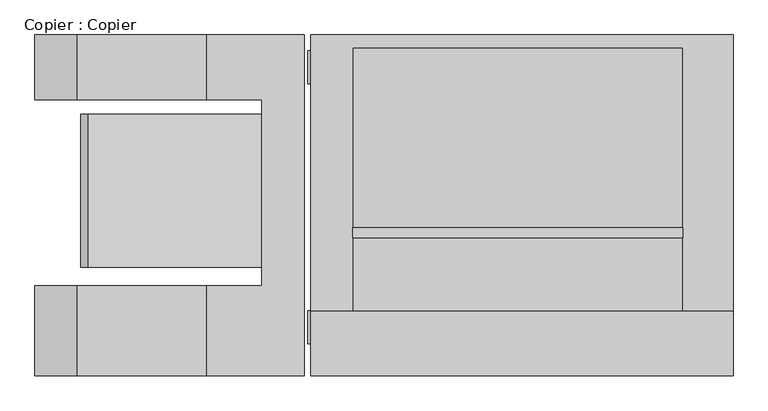
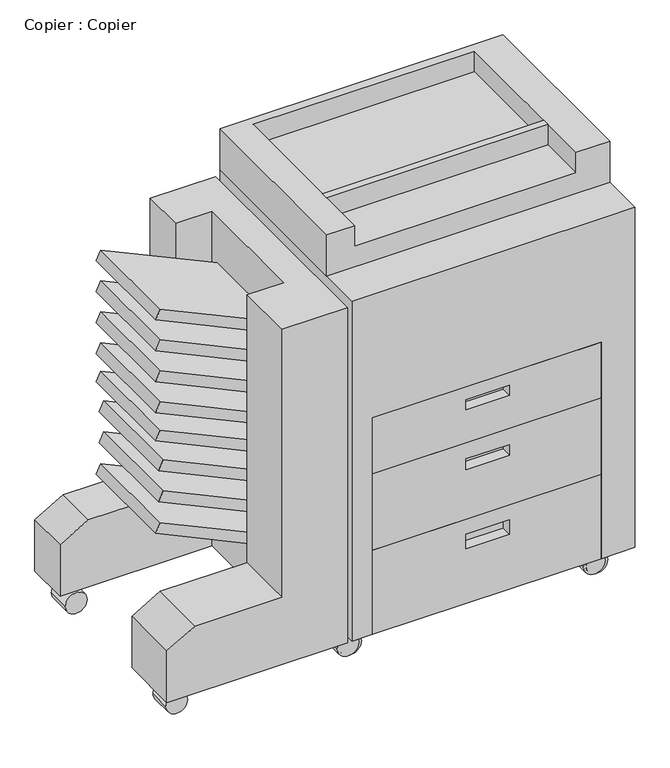
"""IFC4 building model written with IfcOpenShell, lengths in millimetres: proxy geometry, Copier : Copier."""

from ifc_helpers import new_model, si_unit, point, frame, frame_2d, origin, place, context, project, spatial, polyline, circle_curve, trimmed, segment, composite_curve, outline, extrude, faceted_brep, source, transform, mapped, element, save


def copier_copier_9248cf1c(model_context):
    return source(origin(), model_context, "Body", "SolidModel", [
        extrude(outline(polyline([(387.7567294, -681.6535349), (364.7365116, -692.3880388), (232.9041289, -409.6725817), (260.929928, -409.6725817), (387.7567294, -681.6535349)])), frame((0.0, -72.1685532, 0.0), z_axis=(0.0, 1.0, 0.0), x_axis=(0.0, 0.0, 1.0)), (0.0, 0.0, 1.0), 239.8222339),
        extrude(outline(polyline([(463.6667654, -675.0122673), (440.6465476, -685.7467712), (311.9110388, -409.6725817), (339.9368379, -409.6725817), (463.6667654, -675.0122673)])), frame((0.0, -72.1685532, 0.0), z_axis=(0.0, 1.0, 0.0), x_axis=(0.0, 0.0, 1.0)), (0.0, 0.0, 1.0), 239.8222339),
        extrude(outline(polyline([(539.8667654, -675.0122673), (516.8465476, -685.7467712), (388.1110388, -409.6725817), (416.1368379, -409.6725817), (539.8667654, -675.0122673)])), frame((0.0, -72.1685532, 0.0), z_axis=(0.0, 1.0, 0.0), x_axis=(0.0, 0.0, 1.0)), (0.0, 0.0, 1.0), 239.8222339),
        extrude(outline(polyline([(914.2268014, -681.6535349), (891.2065836, -692.3880388), (759.3742009, -409.6725817), (787.4, -409.6725817), (914.2268014, -681.6535349)])), frame((0.0, -72.1685532, 0.0), z_axis=(0.0, 1.0, 0.0), x_axis=(0.0, 0.0, 1.0)), (0.0, 0.0, 1.0), 239.8222339),
        extrude(outline(polyline([(838.0268014, -681.6535349), (815.0065836, -692.3880388), (683.1742009, -409.6725817), (711.2, -409.6725817), (838.0268014, -681.6535349)])), frame((0.0, -72.1685532, 0.0), z_axis=(0.0, 1.0, 0.0), x_axis=(0.0, 0.0, 1.0)), (0.0, 0.0, 1.0), 239.8222339),
        extrude(outline(polyline([(615.7768014, -681.6535349), (592.7565836, -692.3880388), (460.9242009, -409.6725817), (488.95, -409.6725817), (615.7768014, -681.6535349)])), frame((0.0, -72.1685532, 0.0), z_axis=(0.0, 1.0, 0.0), x_axis=(0.0, 0.0, 1.0)), (0.0, 0.0, 1.0), 239.8222339),
        extrude(outline(polyline([(685.6268014, -681.6535349), (662.6065836, -692.3880388), (530.7742009, -409.6725817), (558.8, -409.6725817), (685.6268014, -681.6535349)])), frame((0.0, -72.1685532, 0.0), z_axis=(0.0, 1.0, 0.0), x_axis=(0.0, 0.0, 1.0)), (0.0, 0.0, 1.0), 239.8222339),
        extrude(outline(polyline([(761.8268014, -681.6535349), (738.8065836, -692.3880388), (606.9742009, -409.6725817), (635.0, -409.6725817), (761.8268014, -681.6535349)])), frame((0.0, -72.1685532, 0.0), z_axis=(0.0, 1.0, 0.0), x_axis=(0.0, 0.0, 1.0)), (0.0, 0.0, 1.0), 239.8222339),
        extrude(outline(composite_curve([segment(trimmed(circle_curve(frame_2d((26.0668925, -711.8709821)), 25.4), [point((26.0668925, -737.2709821))], [point((26.0668925, -686.4709821))], False, "CARTESIAN"), True, "CONTINUOUS"), segment(trimmed(circle_curve(frame_2d((26.0668925, -711.8709821)), 25.4), [point((26.0668925, -686.4709821))], [point((26.0668925, -737.2709821))], False, "CARTESIAN"), True, "CONTINUOUS")], self_intersect=False)), frame((0.0, 215.1689468, 0.0), z_axis=(0.0, 1.0, 0.0), x_axis=(0.0, 0.0, 1.0)), (0.0, 0.0, 1.0), 55.9418879),
        extrude(outline(composite_curve([segment(trimmed(circle_curve(frame_2d((26.0668925, -711.8709821)), 25.4), [point((26.0668925, -737.2709821))], [point((26.0668925, -686.4709821))], False, "CARTESIAN"), True, "CONTINUOUS"), segment(trimmed(circle_curve(frame_2d((26.0668925, -711.8709821)), 25.4), [point((26.0668925, -686.4709821))], [point((26.0668925, -737.2709821))], False, "CARTESIAN"), True, "CONTINUOUS")], self_intersect=False)), frame((0.0, -191.2310532, 0.0), z_axis=(0.0, 1.0, 0.0), x_axis=(0.0, 0.0, 1.0)), (0.0, 0.0, 1.0), 51.3258053),
        faceted_brep([(-764.1654582, -242.0310532, 76.2), (-342.5743224, -242.0310532, 76.2), (-342.5743224, -242.0310532, 901.7), (-494.9743224, -242.0310532, 901.7), (-494.9743224, -242.0310532, 241.3), (-698.1743224, -242.0310532, 241.3), (-764.1654582, -242.0310532, 203.2), (-764.1654582, 291.3689468, 76.2), (-764.1654582, 291.3689468, 203.2), (-698.1743224, 291.3689468, 241.3), (-494.9743224, 291.3689468, 241.3), (-494.9743224, 291.3689468, 901.7), (-342.5743224, 291.3689468, 901.7), (-342.5743224, 291.3689468, 76.2), (-764.1654582, -100.8888364, 76.2), (-409.6725817, -100.8888364, 76.2), (-409.6725817, 189.7689468, 76.2), (-764.1654582, 189.7689468, 76.2), (-494.9743224, 189.7689468, 901.7), (-409.6725817, 189.7689468, 901.7), (-409.6725817, -100.8888364, 901.7), (-494.9743224, -100.8888364, 901.7), (-494.9743224, -100.8888364, 241.3), (-494.9743224, 189.7689468, 241.3), (-698.1743224, -100.8888364, 241.3), (-698.1743224, 189.7689468, 241.3), (-764.1654582, -100.8888364, 203.2), (-764.1654582, 189.7689468, 203.2)], [[[0, 1, 2, 3, 4, 5, 6]], [[7, 8, 9, 10, 11, 12, 13]], [[1, 0, 14, 15, 16, 17, 7, 13]], [[2, 1, 13, 12]], [[3, 2, 12, 11, 18, 19, 20, 21]], [[4, 3, 21, 22]], [[11, 10, 23, 18]], [[5, 4, 22, 24]], [[10, 9, 25, 23]], [[6, 5, 24, 26]], [[9, 8, 27, 25]], [[0, 6, 26, 14]], [[8, 7, 17, 27]], [[16, 19, 18, 23, 25, 27, 17]], [[20, 15, 14, 26, 24, 22, 21]], [[19, 16, 15, 20]]]),
        extrude(outline(composite_curve([segment(trimmed(circle_curve(frame_2d((27.9129458, -312.2555429)), 25.4), [point((27.9129458, -337.6555429))], [point((27.9129458, -286.8555429))], False, "CARTESIAN"), True, "CONTINUOUS"), segment(trimmed(circle_curve(frame_2d((27.9129458, -312.2555429)), 25.4), [point((27.9129458, -286.8555429))], [point((27.9129458, -337.6555429))], False, "CARTESIAN"), True, "CONTINUOUS")], self_intersect=False)), frame((0.0, 215.1689468, 0.0), z_axis=(0.0, 1.0, 0.0), x_axis=(0.0, 0.0, 1.0)), (0.0, 0.0, 1.0), 51.3258053),
        extrude(outline(composite_curve([segment(trimmed(circle_curve(frame_2d((27.9129458, 262.7398948)), 25.4), [point((27.9129458, 237.3398948))], [point((27.9129458, 288.1398948))], False, "CARTESIAN"), True, "CONTINUOUS"), segment(trimmed(circle_curve(frame_2d((27.9129458, 262.7398948)), 25.4), [point((27.9129458, 288.1398948))], [point((27.9129458, 237.3398948))], False, "CARTESIAN"), True, "CONTINUOUS")], self_intersect=False)), frame((0.0, 215.1689468, 0.0), z_axis=(0.0, 1.0, 0.0), x_axis=(0.0, 0.0, 1.0)), (0.0, 0.0, 1.0), 51.3258053),
        extrude(outline(composite_curve([segment(trimmed(circle_curve(frame_2d((27.9129458, -312.2555429)), 25.4), [point((27.9129458, -337.6555429))], [point((27.9129458, -286.8555429))], False, "CARTESIAN"), True, "CONTINUOUS"), segment(trimmed(circle_curve(frame_2d((27.9129458, -312.2555429)), 25.4), [point((27.9129458, -286.8555429))], [point((27.9129458, -337.6555429))], False, "CARTESIAN"), True, "CONTINUOUS")], self_intersect=False)), frame((0.0, -191.2310532, 0.0), z_axis=(0.0, 1.0, 0.0), x_axis=(0.0, 0.0, 1.0)), (0.0, 0.0, 1.0), 51.3258053),
        extrude(outline(composite_curve([segment(trimmed(circle_curve(frame_2d((27.9129458, 262.7398948)), 25.4), [point((27.9129458, 237.3398948))], [point((27.9129458, 288.1398948))], False, "CARTESIAN"), True, "CONTINUOUS"), segment(trimmed(circle_curve(frame_2d((27.9129458, 262.7398948)), 25.4), [point((27.9129458, 288.1398948))], [point((27.9129458, 237.3398948))], False, "CARTESIAN"), True, "CONTINUOUS")], self_intersect=False)), frame((0.0, -191.2310532, 0.0), z_axis=(0.0, 1.0, 0.0), x_axis=(0.0, 0.0, 1.0)), (0.0, 0.0, 1.0), 51.3258053),
        extrude(outline(composite_curve([segment(trimmed(circle_curve(frame_2d((27.9129458, -306.6302391)), 25.4), [point((27.9129458, -332.0302391))], [point((27.9129458, -281.2302391))], False, "CARTESIAN"), True, "CONTINUOUS"), segment(trimmed(circle_curve(frame_2d((27.9129458, -306.6302391)), 25.4), [point((27.9129458, -281.2302391))], [point((27.9129458, -332.0302391))], False, "CARTESIAN"), True, "CONTINUOUS")], self_intersect=False)), frame((0.0, -191.2310532, 0.0), z_axis=(0.0, 1.0, 0.0), x_axis=(0.0, 0.0, 1.0)), (0.0, 0.0, 1.0), 51.3258053),
        extrude(outline(composite_curve([segment(trimmed(circle_curve(frame_2d((27.9129458, 268.3651986)), 25.4), [point((27.9129458, 242.9651986))], [point((27.9129458, 293.7651986))], False, "CARTESIAN"), True, "CONTINUOUS"), segment(trimmed(circle_curve(frame_2d((27.9129458, 268.3651986)), 25.4), [point((27.9129458, 293.7651986))], [point((27.9129458, 242.9651986))], False, "CARTESIAN"), True, "CONTINUOUS")], self_intersect=False)), frame((0.0, -191.2310532, 0.0), z_axis=(0.0, 1.0, 0.0), x_axis=(0.0, 0.0, 1.0)), (0.0, 0.0, 1.0), 51.3258053),
        extrude(outline(polyline([(249.314028, -26.1310532), (-267.2959958, -26.1310532), (-267.2959958, -10.0577181), (249.314028, -10.0577181), (249.314028, -26.1310532)])), frame((0.0, 0.0, 965.2), z_axis=(0.0, 0.0, 1.0), x_axis=(1.0, 0.0, 0.0)), (0.0, 0.0, 1.0), 50.8),
        faceted_brep([(34.8258507, -216.6310532, 578.8591447), (-66.7741493, -216.6310532, 578.8591447), (-66.7741493, -216.6310532, 553.4591447), (34.8258507, -216.6310532, 553.4591447), (249.314028, -242.0310532, 472.3553727), (249.314028, -242.0310532, 609.6), (-284.085972, -242.0310532, 609.6), (-284.085972, -242.0310532, 472.3553727), (-66.7741493, -242.0310532, 578.8591447), (34.8258507, -242.0310532, 578.8591447), (34.8258507, -242.0310532, 553.4591447), (-66.7741493, -242.0310532, 553.4591447), (249.314028, -191.2310532, 472.3553727), (-284.085972, -191.2310532, 472.3553727), (-284.085972, -191.2310532, 609.6), (249.314028, -191.2310532, 609.6)], [[[0, 1, 2, 3]], [[4, 5, 6, 7], [8, 9, 10, 11]], [[12, 13, 14, 15]], [[5, 4, 12, 15]], [[6, 5, 15, 14]], [[7, 6, 14, 13]], [[4, 7, 13, 12]], [[1, 0, 9, 8]], [[2, 1, 8, 11]], [[3, 2, 11, 10]], [[0, 3, 10, 9]]]),
        faceted_brep([(34.8258507, -216.6310532, 432.3774172), (-66.7741493, -216.6310532, 432.3774172), (-66.7741493, -216.6310532, 406.4), (34.8258507, -216.6310532, 406.4), (249.314028, -242.0310532, 283.8723489), (249.314028, -242.0310532, 472.3553727), (-284.085972, -242.0310532, 472.3553727), (-284.085972, -242.0310532, 283.8723489), (-66.7741493, -242.0310532, 432.3774172), (34.8258507, -242.0310532, 432.3774172), (34.8258507, -242.0310532, 406.4), (-66.7741493, -242.0310532, 406.4), (249.314028, -191.2310532, 283.8723489), (-284.085972, -191.2310532, 283.8723489), (-284.085972, -191.2310532, 472.3553727), (249.314028, -191.2310532, 472.3553727)], [[[0, 1, 2, 3]], [[4, 5, 6, 7], [8, 9, 10, 11]], [[12, 13, 14, 15]], [[5, 4, 12, 15]], [[6, 5, 15, 14]], [[7, 6, 14, 13]], [[4, 7, 13, 12]], [[1, 0, 9, 8]], [[2, 1, 8, 11]], [[3, 2, 11, 10]], [[0, 3, 10, 9]]]),
        faceted_brep([(249.314028, -242.0310532, 76.2), (249.314028, -242.0310532, 283.8723489), (-284.085972, -242.0310532, 283.8723489), (-284.085972, -242.0310532, 76.2), (-66.7741493, -242.0310532, 246.5423898), (34.8258507, -242.0310532, 246.5423898), (34.8258507, -242.0310532, 211.1096445), (-66.7741493, -242.0310532, 211.1096445), (249.314028, -191.2310532, 76.2), (-284.085972, -191.2310532, 76.2), (-284.085972, -191.2310532, 283.8723489), (249.314028, -191.2310532, 283.8723489), (34.8258507, -216.6310532, 246.5423898), (-66.7741493, -216.6310532, 246.5423898), (-66.7741493, -216.6310532, 211.1096445), (34.8258507, -216.6310532, 211.1096445)], [[[0, 1, 2, 3], [4, 5, 6, 7]], [[8, 9, 10, 11]], [[1, 0, 8, 11]], [[2, 1, 11, 10]], [[3, 2, 10, 9]], [[0, 3, 9, 8]], [[12, 13, 14, 15]], [[13, 12, 5, 4]], [[14, 13, 4, 7]], [[15, 14, 7, 6]], [[12, 15, 6, 5]]]),
        faceted_brep([(328.0345418, 291.3689468, 1016.0), (-332.3654582, 291.3689468, 1016.0), (-332.3654582, -139.9052479, 1016.0), (-267.2959958, -139.9052479, 1016.0), (-267.2959958, 271.1108348, 1016.0), (249.314028, 271.1108348, 1016.0), (249.314028, -139.9052479, 1016.0), (328.0345418, -139.9052479, 1016.0), (328.0345418, 291.3689468, 914.4), (328.0345418, -139.9052479, 914.4), (-332.3654582, -139.9052479, 914.4), (-332.3654582, 291.3689468, 914.4), (249.314028, -139.9052479, 965.2), (-267.2959958, -139.9052479, 965.2), (249.314028, 271.1108348, 965.2), (-267.2959958, 271.1108348, 965.2)], [[[0, 1, 2, 3, 4, 5, 6, 7]], [[8, 9, 10, 11]], [[1, 0, 8, 11]], [[2, 1, 11, 10]], [[10, 9, 7, 6, 12, 13, 3, 2]], [[0, 7, 9, 8]], [[14, 15, 13, 12]], [[15, 14, 5, 4]], [[13, 15, 4, 3]], [[14, 12, 6, 5]]]),
        faceted_brep([(328.0345418, 291.3689468, 914.4), (-332.3654582, 291.3689468, 914.4), (-332.3654582, -242.0310532, 914.4), (328.0345418, -242.0310532, 914.4), (328.0345418, 291.3689468, 76.2), (328.0345418, -242.0310532, 76.2), (249.314028, -242.0310532, 76.2), (249.314028, -191.2310532, 76.2), (-284.085972, -191.2310532, 76.2), (-284.085972, -242.0310532, 76.2), (-332.3654582, -242.0310532, 76.2), (-332.3654582, 291.3689468, 76.2), (-284.085972, -242.0310532, 609.6), (249.314028, -242.0310532, 609.6), (-284.085972, -191.2310532, 609.6), (249.314028, -191.2310532, 609.6)], [[[0, 1, 2, 3]], [[4, 5, 6, 7, 8, 9, 10, 11]], [[1, 0, 4, 11]], [[2, 1, 11, 10]], [[3, 2, 10, 9, 12, 13, 6, 5]], [[0, 3, 5, 4]], [[14, 8, 7, 15]], [[8, 14, 12, 9]], [[15, 7, 6, 13]], [[14, 15, 13, 12]]]),
    ])


if __name__ == "__main__":
    model = new_model("IFC4")
    model_context = context("Model", 3, world=origin())
    ifc_project = project(units=[si_unit("LENGTHUNIT", "METRE", prefix="MILLI")], contexts=[model_context])
    site = spatial("IfcSite", under=ifc_project)
    building = spatial("IfcBuilding", under=site)
    placement = place(None, origin())
    copier_copier_shape = copier_copier_9248cf1c(model_context)
    element("IfcBuildingElementProxy", 1, Name="Copier : Copier", ObjectType="Copier : Copier", at=placement, inside=building, context=model_context, shape_type="MappedRepresentation", body=[
        mapped(copier_copier_shape, transform((0.0, 0.0, 0.0), x_axis=(1.0, 0.0, 0.0), y_axis=(0.0, 1.0, 0.0), z_axis=(0.0, 0.0, 1.0))),
    ])
    save(model, "model.ifc")
